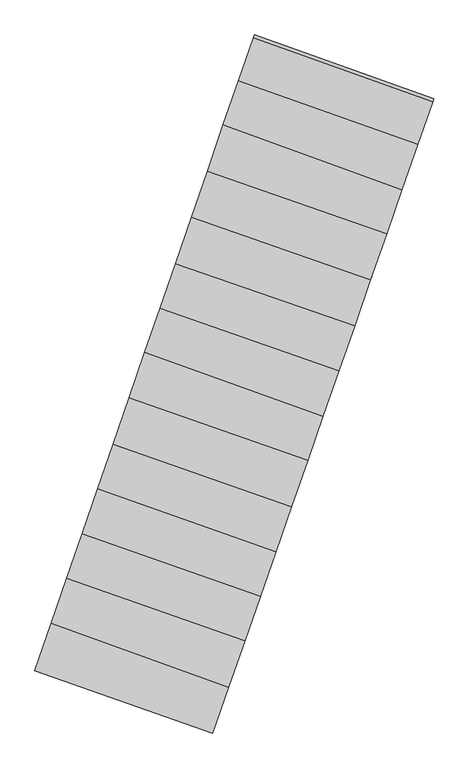
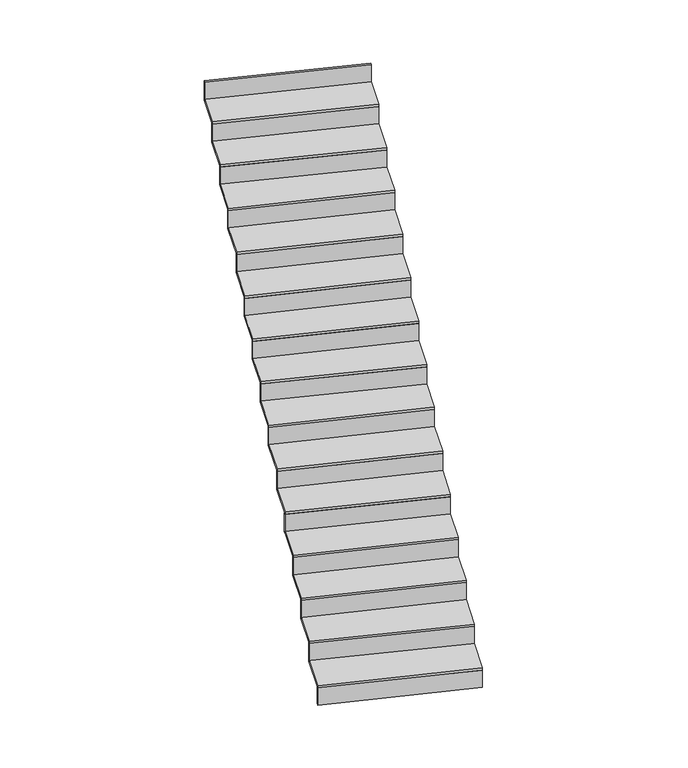
"""IFC4 building model written with IfcOpenShell, lengths in millimetres: stair flight geometry."""

from ifc_helpers import new_model, si_unit, frame, origin, place, context, project, spatial, polyline, outline, extrude, source, transform, mapped, element, save


def stair_flight_0dbbd267(model_context):
    return source(origin(), model_context, "Body", "SweptSolid", [
        extrude(outline(polyline([(108948.6618525, 29800.5559261), (108942.0718032, 29781.6728108), (107824.6446892, 30173.4100081), (107831.1757326, 30192.3138091), (108948.6618525, 29800.5559261)])), frame((0.0, 0.0, -2426.5), z_axis=(0.0, 0.0, 1.0), x_axis=(1.0, 0.0, 0.0)), (0.0, 0.0, 1.0), 146.8530746),
        extrude(outline(polyline([(107927.8274535, 30472.0677138), (109042.8408939, 30070.4163824), (108942.0718032, 29781.6728108), (107824.6446892, 30173.4100081), (107927.8274535, 30472.0677138)])), frame((0.0, 0.0, -2279.6469254), z_axis=(0.0, 0.0, 1.0), x_axis=(1.0, 0.0, 0.0)), (0.0, 0.0, 1.0), 20.0),
        extrude(outline(polyline([(109049.4312645, 30089.3004185), (109042.8408939, 30070.4163824), (107927.8274535, 30472.0677138), (107934.3589904, 30490.972943), (109049.4312645, 30089.3004185)])), frame((0.0, 0.0, -2279.6469254), z_axis=(0.0, 0.0, 1.0), x_axis=(1.0, 0.0, 0.0)), (0.0, 0.0, 1.0), 166.8530746),
        extrude(outline(polyline([(108024.6609621, 30752.3477946), (109144.4449777, 30361.5525422), (109042.8408939, 30070.4163824), (107927.8274535, 30472.0677138), (108024.6609621, 30752.3477946)])), frame((0.0, 0.0, -2112.7938508), z_axis=(0.0, 0.0, 1.0), x_axis=(1.0, 0.0, 0.0)), (0.0, 0.0, 1.0), 20.0),
        extrude(outline(polyline([(109151.0350205, 30380.4356388), (109144.4449777, 30361.5525422), (108024.6609621, 30752.3477946), (108031.1919703, 30771.2514937), (109151.0350205, 30380.4356388)])), frame((0.0, 0.0, -2112.7938508), z_axis=(0.0, 0.0, 1.0), x_axis=(1.0, 0.0, 0.0)), (0.0, 0.0, 1.0), 166.8530746),
        extrude(outline(polyline([(108121.2986117, 31032.0609706), (109241.9561456, 30640.9608676), (109144.4449777, 30361.5525422), (108024.6609621, 30752.3477946), (108121.2986117, 31032.0609706)])), frame((0.0, 0.0, -1945.9407762), z_axis=(0.0, 0.0, 1.0), x_axis=(1.0, 0.0, 0.0)), (0.0, 0.0, 1.0), 20.0),
        extrude(outline(polyline([(109248.5461883, 30659.8439642), (109241.9561456, 30640.9608676), (108121.2986117, 31032.0609706), (108127.8296199, 31050.9646697), (109248.5461883, 30659.8439642)])), frame((0.0, 0.0, -1945.9407762), z_axis=(0.0, 0.0, 1.0), x_axis=(1.0, 0.0, 0.0)), (0.0, 0.0, 1.0), 166.8530746),
        extrude(outline(polyline([(108219.6242466, 31316.6599414), (109339.399715, 30920.1754967), (109241.9561456, 30640.9608676), (108121.2986117, 31032.0609706), (108219.6242466, 31316.6599414)])), frame((0.0, 0.0, -1779.0877016), z_axis=(0.0, 0.0, 1.0), x_axis=(1.0, 0.0, 0.0)), (0.0, 0.0, 1.0), 20.0),
        extrude(outline(polyline([(109345.9898251, 30939.0587865), (109339.399715, 30920.1754967), (108219.6242466, 31316.6599414), (108226.155414, 31335.5641014), (109345.9898251, 30939.0587865)])), frame((0.0, 0.0, -1779.0877016), z_axis=(0.0, 0.0, 1.0), x_axis=(1.0, 0.0, 0.0)), (0.0, 0.0, 1.0), 166.8530746),
        extrude(outline(polyline([(108315.8366708, 31595.1423223), (109438.2526553, 31203.4285348), (109339.399715, 30920.1754967), (108219.6242466, 31316.6599414), (108315.8366708, 31595.1423223)])), frame((0.0, 0.0, -1612.234627), z_axis=(0.0, 0.0, 1.0), x_axis=(1.0, 0.0, 0.0)), (0.0, 0.0, 1.0), 20.0),
        extrude(outline(polyline([(109444.8426981, 31222.3116314), (109438.2526553, 31203.4285348), (108315.8366708, 31595.1423223), (108322.367679, 31614.0460215), (109444.8426981, 31222.3116314)])), frame((0.0, 0.0, -1612.234627), z_axis=(0.0, 0.0, 1.0), x_axis=(1.0, 0.0, 0.0)), (0.0, 0.0, 1.0), 166.8530746),
        extrude(outline(polyline([(108416.4193245, 31886.2741291), (109539.7444866, 31494.2430462), (109438.2526553, 31203.4285348), (108315.8366708, 31595.1423223), (108416.4193245, 31886.2741291)])), frame((0.0, 0.0, -1445.3815524), z_axis=(0.0, 0.0, 1.0), x_axis=(1.0, 0.0, 0.0)), (0.0, 0.0, 1.0), 20.0),
        extrude(outline(polyline([(109546.3345293, 31513.1261428), (109539.7444866, 31494.2430462), (108416.4193245, 31886.2741291), (108422.9503327, 31905.1778282), (109546.3345293, 31513.1261428)])), frame((0.0, 0.0, -1445.3815524), z_axis=(0.0, 0.0, 1.0), x_axis=(1.0, 0.0, 0.0)), (0.0, 0.0, 1.0), 166.8530746),
        extrude(outline(polyline([(108515.650411, 32173.4938875), (109635.7982853, 31769.4754287), (109539.7444866, 31494.2430462), (108416.4193245, 31886.2741291), (108515.650411, 32173.4938875)])), frame((0.0, 0.0, -1278.5284778), z_axis=(0.0, 0.0, 1.0), x_axis=(1.0, 0.0, 0.0)), (0.0, 0.0, 1.0), 20.0),
        extrude(outline(polyline([(109642.3886833, 31788.3595434), (109635.7982853, 31769.4754287), (108515.650411, 32173.4938875), (108522.1819834, 32192.3992196), (109642.3886833, 31788.3595434)])), frame((0.0, 0.0, -1278.5284778), z_axis=(0.0, 0.0, 1.0), x_axis=(1.0, 0.0, 0.0)), (0.0, 0.0, 1.0), 166.8530746),
        extrude(outline(polyline([(108611.0465035, 32449.6134343), (109736.1309219, 32056.9683857), (109635.7982853, 31769.4754287), (108515.650411, 32173.4938875), (108611.0465035, 32449.6134343)])), frame((0.0, 0.0, -1111.6754032), z_axis=(0.0, 0.0, 1.0), x_axis=(1.0, 0.0, 0.0)), (0.0, 0.0, 1.0), 20.0),
        extrude(outline(polyline([(109742.7209646, 32075.8514823), (109736.1309219, 32056.9683857), (108611.0465035, 32449.6134343), (108617.5775118, 32468.5171335), (109742.7209646, 32075.8514823)])), frame((0.0, 0.0, -1111.6754032), z_axis=(0.0, 0.0, 1.0), x_axis=(1.0, 0.0, 0.0)), (0.0, 0.0, 1.0), 166.8530746),
        extrude(outline(polyline([(108707.7927793, 32729.6410238), (109834.9801838, 32340.2108834), (109736.1309219, 32056.9683857), (108611.0465035, 32449.6134343), (108707.7927793, 32729.6410238)])), frame((0.0, 0.0, -944.8223286), z_axis=(0.0, 0.0, 1.0), x_axis=(1.0, 0.0, 0.0)), (0.0, 0.0, 1.0), 20.0),
        extrude(outline(polyline([(109841.5702587, 32359.0940723), (109834.9801838, 32340.2108834), (108707.7927793, 32729.6410238), (108714.3237556, 32748.5446306), (109841.5702587, 32359.0940723)])), frame((0.0, 0.0, -944.8223286), z_axis=(0.0, 0.0, 1.0), x_axis=(1.0, 0.0, 0.0)), (0.0, 0.0, 1.0), 166.8530746),
        extrude(outline(polyline([(108807.922382, 33019.4614954), (109934.7863829, 32626.1953873), (109834.9801838, 32340.2108834), (108707.7927793, 32729.6410238), (108807.922382, 33019.4614954)])), frame((0.0, 0.0, -777.9692541), z_axis=(0.0, 0.0, 1.0), x_axis=(1.0, 0.0, 0.0)), (0.0, 0.0, 1.0), 20.0),
        extrude(outline(polyline([(109941.3764256, 32645.0784839), (109934.7863829, 32626.1953873), (108807.922382, 33019.4614954), (108814.4533902, 33038.3651945), (109941.3764256, 32645.0784839)])), frame((0.0, 0.0, -777.9692541), z_axis=(0.0, 0.0, 1.0), x_axis=(1.0, 0.0, 0.0)), (0.0, 0.0, 1.0), 166.8530746),
        extrude(outline(polyline([(108908.4457497, 33310.4217014), (110036.2183922, 32916.838485), (109934.7863829, 32626.1953873), (108807.922382, 33019.4614954), (108908.4457497, 33310.4217014)])), frame((0.0, 0.0, -611.1161795), z_axis=(0.0, 0.0, 1.0), x_axis=(1.0, 0.0, 0.0)), (0.0, 0.0, 1.0), 20.0),
        extrude(outline(polyline([(110042.8084349, 32935.7215816), (110036.2183922, 32916.838485), (108908.4457497, 33310.4217014), (108914.9767579, 33329.3254005), (110042.8084349, 32935.7215816)])), frame((0.0, 0.0, -611.1161795), z_axis=(0.0, 0.0, 1.0), x_axis=(1.0, 0.0, 0.0)), (0.0, 0.0, 1.0), 166.8530746),
        extrude(outline(polyline([(109008.598433, 33600.3089788), (110132.0412821, 33191.4092218), (110036.2183922, 32916.838485), (108908.4457497, 33310.4217014), (109008.598433, 33600.3089788)])), frame((0.0, 0.0, -444.2631049), z_axis=(0.0, 0.0, 1.0), x_axis=(1.0, 0.0, 0.0)), (0.0, 0.0, 1.0), 20.0),
        extrude(outline(polyline([(110138.6319068, 33210.293986), (110132.0412821, 33191.4092218), (109008.598433, 33600.3089788), (109015.1302894, 33619.2151329), (110138.6319068, 33210.293986)])), frame((0.0, 0.0, -444.2631049), z_axis=(0.0, 0.0, 1.0), x_axis=(1.0, 0.0, 0.0)), (0.0, 0.0, 1.0), 166.8530746),
        extrude(outline(polyline([(109104.484933, 33877.8479874), (110231.7536018, 33477.1247241), (110132.0412821, 33191.4092218), (109008.598433, 33600.3089788), (109104.484933, 33877.8479874)])), frame((0.0, 0.0, -277.4100303), z_axis=(0.0, 0.0, 1.0), x_axis=(1.0, 0.0, 0.0)), (0.0, 0.0, 1.0), 20.0),
        extrude(outline(polyline([(110238.3437544, 33496.0081354), (110231.7536018, 33477.1247241), (109104.484933, 33877.8479874), (109111.016168, 33896.7523429), (110238.3437544, 33496.0081354)])), frame((0.0, 0.0, -277.4100303), z_axis=(0.0, 0.0, 1.0), x_axis=(1.0, 0.0, 0.0)), (0.0, 0.0, 1.0), 166.8530746),
        extrude(outline(polyline([(110331.8119246, 33763.8316628), (110325.2217721, 33744.9482515), (109197.1174748, 34145.9685654), (109203.6487098, 34164.8729208), (110331.8119246, 33763.8316628)])), frame((0.0, 0.0, -110.5569557), z_axis=(0.0, 0.0, 1.0), x_axis=(1.0, 0.0, 0.0)), (0.0, 0.0, 1.0), 166.8530746),
        extrude(outline(polyline([(109197.1174748, 34145.9685654), (110325.2217721, 33744.9482515), (110231.7536018, 33477.1247241), (109104.484933, 33877.8479874), (109197.1174748, 34145.9685654)])), frame((0.0, 0.0, -110.5569557), z_axis=(0.0, 0.0, 1.0), x_axis=(1.0, 0.0, 0.0)), (0.0, 0.0, 1.0), 20.0),
    ])


if __name__ == "__main__":
    model = new_model("IFC4")
    model_context = context("Model", 3, world=origin())
    ifc_project = project(units=[si_unit("LENGTHUNIT", "METRE", prefix="MILLI")], contexts=[model_context])
    site = spatial("IfcSite", under=ifc_project)
    building = spatial("IfcBuilding", under=site)
    placement = place(None, origin())
    stair_flight_shape = stair_flight_0dbbd267(model_context)
    element("IfcStairFlight", 1, at=placement, inside=building, context=model_context, shape_type="MappedRepresentation", body=[
        mapped(stair_flight_shape, transform((0.0, 0.0, 0.0), x_axis=(1.0, 0.0, 0.0), y_axis=(0.0, 1.0, 0.0), z_axis=(0.0, 0.0, 1.0))),
    ])
    save(model, "model.ifc")
